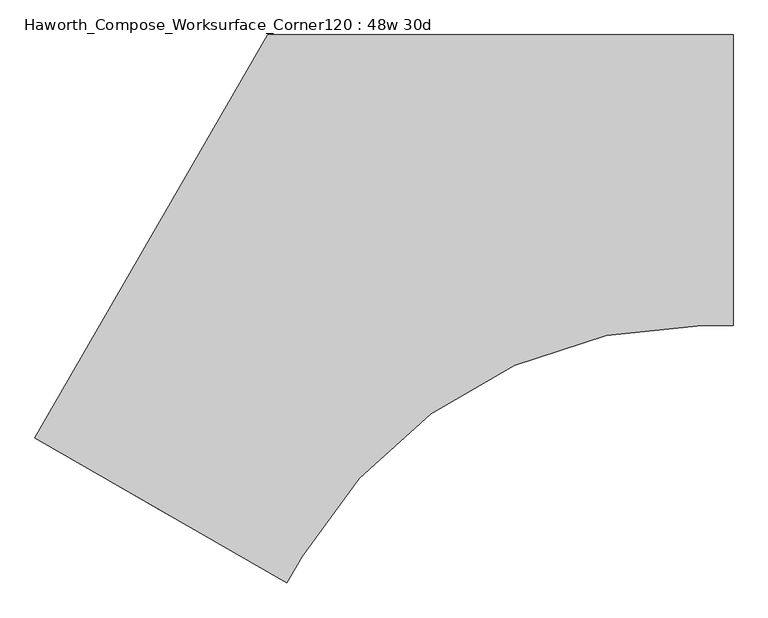
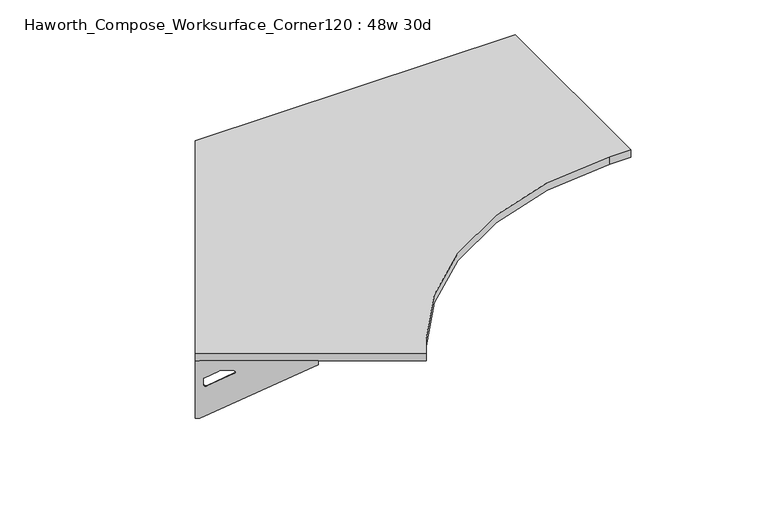
"""IFC4 building model written with IfcOpenShell, lengths in millimetres: furniture geometry, Haworth_Compose_Worksurface_Corner120 : 48w 30d."""

from ifc_helpers import new_model, si_unit, point, frame, frame_2d, origin, place, context, project, spatial, polyline, circle_curve, trimmed, segment, composite_curve, outline, extrude, source, transform, mapped, element, save
from ifc_brep_helpers import plane_surface, revolved_surface, advanced_brep


def haworth_compose_worksurface_corner120_48w_30d_0e6712c5(model_context):
    return source(origin(), model_context, "Body", "SolidModel", [
        advanced_brep(
        [(454.81875, 304.8, 473.86875), (454.81875, 288.925, 473.86875), (454.81875, -101.6, 690.1317568), (454.81875, -101.6, 702.46875), (454.81875, 288.925, 702.46875), (454.81875, 304.8, 702.46875), (454.81875, 221.490072, 664.36875), (454.81875, 177.8355284, 664.36875), (454.81875, 175.1564235, 654.7830539), (454.81875, 266.8776173, 603.9901439), (454.81875, 276.225, 609.5881969), (454.81875, 276.225, 633.0985246), (454.81875, 274.4730055, 635.9367776), (454.81875, 224.5663437, 663.5738425), (457.2, 304.8, 473.86875), (457.2, 304.8, 702.46875), (457.2, 288.925, 702.46875), (457.2, 288.925, 704.85), (457.2, -101.6, 704.85), (457.2, -101.6, 690.1317568), (457.2, 288.925, 473.86875), (457.2, 221.490072, 664.36875), (457.2, 224.5663437, 663.5738425), (457.2, 274.4730055, 635.9367776), (457.2, 276.225, 633.0985246), (457.2, 276.225, 609.5881969), (457.2, 266.8776173, 603.9901439), (457.2, 175.1564235, 654.7830539), (457.2, 177.8355284, 664.36875), (415.925, -101.6, 704.85), (415.925, -101.6, 702.46875), (415.925, 288.925, 702.46875), (415.925, 288.925, 704.85)],
        [
            (0, 1),
            (1, 2),
            (2, 3),
            (3, 4),
            (4, 5),
            (5, 0),
            (6, 7),
            (7, 8, circle_curve(frame((454.81875, 177.8355284, 659.2015106), z_axis=(1.0, 0.0, 0.0), x_axis=(0.0, -1.0, 0.0)), 5.1672394)),
            (8, 9),
            (9, 10, circle_curve(frame((454.81875, 269.875, 609.5881969), z_axis=(1.0, 0.0, 0.0), x_axis=(0.0, -1.0, 0.0)), 6.35)),
            (10, 11),
            (11, 12, circle_curve(frame((454.81875, 273.05, 633.0985246), z_axis=(1.0, 0.0, 0.0), x_axis=(0.0, -1.0, 0.0)), 3.175)),
            (12, 13),
            (13, 6, circle_curve(frame((454.81875, 221.490072, 658.01875), z_axis=(1.0, 0.0, 0.0), x_axis=(0.0, -1.0, 0.0)), 6.35)),
            (14, 15),
            (15, 16),
            (16, 17),
            (17, 18),
            (18, 19),
            (19, 20),
            (20, 14),
            (21, 22, circle_curve(frame((457.2, 221.490072, 658.01875), z_axis=(-1.0, 0.0, 0.0), x_axis=(0.0, -1.0, 0.0)), 6.35)),
            (22, 23),
            (23, 24, circle_curve(frame((457.2, 273.05, 633.0985246), z_axis=(-1.0, 0.0, 0.0), x_axis=(0.0, -1.0, 0.0)), 3.175)),
            (24, 25),
            (25, 26, circle_curve(frame((457.2, 269.875, 609.5881969), z_axis=(-1.0, 0.0, 0.0), x_axis=(0.0, -1.0, 0.0)), 6.35)),
            (26, 27),
            (27, 28, circle_curve(frame((457.2, 177.8355284, 659.2015106), z_axis=(-1.0, 0.0, 0.0), x_axis=(0.0, -1.0, 0.0)), 5.1672394)),
            (28, 21),
            (4, 16),
            (15, 5),
            (14, 0),
            (20, 1),
            (19, 2),
            (18, 29),
            (29, 30),
            (30, 3),
            (6, 21),
            (28, 7),
            (9, 26),
            (25, 10),
            (24, 11),
            (23, 12),
            (27, 8),
            (31, 4),
            (30, 31),
            (32, 29),
            (17, 32),
            (31, 32),
            (22, 13),
        ],
        [
            plane_surface(frame((454.81875, 304.8, 473.86875), z_axis=(-1.0, 0.0, 0.0), x_axis=(0.0, 1.0, 0.0))),
            plane_surface(frame((457.2, 304.8, 473.86875), z_axis=(1.0, 0.0, 0.0), x_axis=(0.0, -1.0, 0.0))),
            plane_surface(frame((457.2, -101.6, 702.46875), z_axis=(0.0, 0.0, 1.0), x_axis=(-1.0, 0.0, 0.0))),
            plane_surface(frame((457.2, 304.8, 702.46875), z_axis=(0.0, 1.0, 0.0), x_axis=(-1.0, 0.0, 0.0))),
            plane_surface(frame((457.2, 304.8, 473.86875), z_axis=(0.0, 0.0, -1.0), x_axis=(-1.0, 0.0, 0.0))),
            plane_surface(frame((457.2, 288.925, 473.86875), z_axis=(0.0, -0.4844522351345575, -0.8748177135112957), x_axis=(-1.0, 0.0, 0.0))),
            plane_surface(frame((457.2, -101.6, 690.1317568), z_axis=(0.0, -1.0, 0.0), x_axis=(-1.0, 0.0, 0.0))),
            plane_surface(frame((457.2, 221.490072, 664.36875), z_axis=(0.0, 0.0, -1.0), x_axis=(-1.0, 0.0, 0.0))),
            revolved_surface(polyline([(454.81875, 263.525, 609.5881969), (457.2, 263.525, 609.5881969)]), (457.2, 269.875, 609.5881969), (-1.0, 0.0, 0.0)),
            plane_surface(frame((457.2, 276.225, 609.5881969), z_axis=(0.0, -1.0, 0.0), x_axis=(-1.0, 0.0, 0.0))),
            revolved_surface(polyline([(454.81875, 269.875, 633.0985246), (457.2, 269.875, 633.0985246)]), (457.2, 273.05, 633.0985246), (-1.0, 0.0, 0.0)),
            revolved_surface(polyline([(454.81875, 172.668289, 659.2015106), (457.2, 172.668289, 659.2015106)]), (457.2, 177.8355284, 659.2015106), (-1.0, 0.0, 0.0)),
            plane_surface(frame((457.2, 288.925, 702.46875), z_axis=(0.0, 0.0, -1.0), x_axis=(-1.0, 0.0, 0.0))),
            plane_surface(frame((457.2, 288.925, 704.85), z_axis=(0.0, 0.0, 1.0), x_axis=(1.0, 0.0, 0.0))),
            plane_surface(frame((415.925, 288.925, 704.85), z_axis=(0.0, 1.0, 0.0), x_axis=(0.0, 0.0, -1.0))),
            plane_surface(frame((415.925, -101.6, 704.85), z_axis=(-1.0, 0.0, 0.0), x_axis=(0.0, 0.0, -1.0))),
            plane_surface(frame((457.2, 175.1564235, 654.7830539), z_axis=(0.0, 0.4844522351341526, 0.8748177135115199), x_axis=(-1.0, 0.0, 0.0))),
            plane_surface(frame((457.2, 274.4730055, 635.9367776), z_axis=(0.0, -0.48445223513456226, -0.874817713511293), x_axis=(-1.0, 0.0, 0.0))),
            revolved_surface(polyline([(454.81875, 215.140072, 658.01875), (457.2, 215.140072, 658.01875)]), (457.2, 221.490072, 658.01875), (-1.0, 0.0, 0.0)),
        ],
        [
            (0, [[1, 2, 3, 4, 5, 6], [7, 8, 9, 10, 11, 12, 13, 14]]),
            (1, [[15, 16, 17, 18, 19, 20, 21], [22, 23, 24, 25, 26, 27, 28, 29]]),
            (2, [[-5, 30, -16, 31]]),
            (3, [[-31, -15, 32, -6]]),
            (4, [[-32, -21, 33, -1]]),
            (5, [[-33, -20, 34, -2]]),
            (6, [[-34, -19, 35, 36, 37, -3]]),
            (7, [[38, -29, 39, -7]]),
            (8, [[40, -26, 41, -10]]),
            (9, [[-41, -25, 42, -11]]),
            (10, [[-42, -24, 43, -12]]),
            (11, [[-39, -28, 44, -8]]),
            (12, [[45, -4, -37, 46]]),
            (13, [[47, -35, -18, 48]]),
            (14, [[-17, -30, -45, 49, -48]]),
            (15, [[-36, -47, -49, -46]]),
            (16, [[-44, -27, -40, -9]]),
            (17, [[-43, -23, 50, -13]]),
            (18, [[-50, -22, -38, -14]]),
        ],
    ),
        advanced_brep(
        [(-1370.409375, -748.9959493, 473.86875), (-1370.409375, -748.9959493, 702.46875), (-1356.6612217, -756.9334493, 702.46875), (-1018.4566509, -952.1959493, 702.46875), (-1018.4566509, -952.1959493, 690.1317568), (-1356.6612217, -756.9334493, 473.86875), (-1298.260861, -790.6509133, 664.36875), (-1300.9249904, -789.1127775, 663.5738425), (-1344.1454274, -764.1594465, 635.9367776), (-1345.6626991, -763.2834493, 633.0985246), (-1345.6626991, -763.2834493, 609.5881969), (-1337.5676282, -767.9571406, 603.9901439), (-1258.1347443, -813.8177376, 654.7830539), (-1260.4549172, -812.4781851, 664.36875), (-1371.6, -751.0581723, 473.86875), (-1357.8518467, -758.9956723, 473.86875), (-1019.6472759, -954.2581723, 690.1317568), (-1019.6472759, -954.2581723, 704.85), (-1357.8518467, -758.9956723, 704.85), (-1357.8518467, -758.9956723, 702.46875), (-1371.6, -751.0581723, 702.46875), (-1299.451486, -792.7131363, 664.36875), (-1261.6455422, -814.5404081, 664.36875), (-1259.3253693, -815.8799606, 654.7830539), (-1338.7582532, -770.0193636, 603.9901439), (-1346.8533241, -765.3456723, 609.5881969), (-1346.8533241, -765.3456723, 633.0985246), (-1345.3360524, -766.2216695, 635.9367776), (-1302.1156154, -791.1750004, 663.5738425), (-999.0097759, -918.5129738, 702.46875), (-999.0097759, -918.5129738, 704.85), (-1337.2143467, -723.2504738, 702.46875), (-1337.2143467, -723.2504738, 704.85)],
        [
            (0, 1),
            (1, 2),
            (2, 3),
            (3, 4),
            (4, 5),
            (5, 0),
            (6, 7, circle_curve(frame((-1298.260861, -790.6509133, 658.01875), z_axis=(-0.5000000000000026, -0.8660254037844374, 0.0), x_axis=(0.8660254037844372, -0.5000000000000024, 0.0)), 6.35)),
            (7, 8),
            (8, 9, circle_curve(frame((-1342.9130684, -764.8709493, 633.0985246), z_axis=(-0.5000000000000026, -0.8660254037844374, 0.0), x_axis=(0.8660254037844372, -0.5000000000000024, 0.0)), 3.175)),
            (9, 10),
            (10, 11, circle_curve(frame((-1340.1634378, -766.4584493, 609.5881969), z_axis=(-0.5000000000000026, -0.8660254037844374, 0.0), x_axis=(0.8660254037844372, -0.5000000000000024, 0.0)), 6.35)),
            (11, 12),
            (12, 13, circle_curve(frame((-1260.4549172, -812.4781851, 659.2015106), z_axis=(-0.5000000000000026, -0.8660254037844374, 0.0), x_axis=(0.8660254037844372, -0.5000000000000024, 0.0)), 5.1672394)),
            (13, 6),
            (14, 15),
            (15, 16),
            (16, 17),
            (17, 18),
            (18, 19),
            (19, 20),
            (20, 14),
            (21, 22),
            (22, 23, circle_curve(frame((-1261.6455422, -814.5404081, 659.2015106), z_axis=(0.5000000000000026, 0.8660254037844374, 0.0), x_axis=(0.8660254037844372, -0.5000000000000024, 0.0)), 5.1672394)),
            (23, 24),
            (24, 25, circle_curve(frame((-1341.3540628, -768.5206723, 609.5881969), z_axis=(0.5000000000000026, 0.8660254037844374, 0.0), x_axis=(0.8660254037844372, -0.5000000000000024, 0.0)), 6.35)),
            (25, 26),
            (26, 27, circle_curve(frame((-1344.1036934, -766.9331723, 633.0985246), z_axis=(0.5000000000000026, 0.8660254037844374, 0.0), x_axis=(0.8660254037844372, -0.5000000000000024, 0.0)), 3.175)),
            (27, 28),
            (28, 21, circle_curve(frame((-1299.451486, -792.7131363, 658.01875), z_axis=(0.5000000000000026, 0.8660254037844374, 0.0), x_axis=(0.8660254037844372, -0.5000000000000024, 0.0)), 6.35)),
            (1, 20),
            (19, 2),
            (0, 14),
            (5, 15),
            (4, 16),
            (3, 29),
            (29, 30),
            (30, 17),
            (13, 22),
            (21, 6),
            (10, 25),
            (24, 11),
            (9, 26),
            (8, 27),
            (12, 23),
            (31, 29),
            (2, 31),
            (32, 18),
            (30, 32),
            (32, 31),
            (7, 28),
        ],
        [
            plane_surface(frame((-1370.409375, -748.9959493, 473.86875), z_axis=(0.5000000000000026, 0.8660254037844373, 0.0), x_axis=(-0.8660254037844373, 0.5000000000000026, 0.0))),
            plane_surface(frame((-1371.6, -751.0581723, 473.86875), z_axis=(-0.5000000000000026, -0.8660254037844373, 0.0), x_axis=(0.8660254037844373, -0.5000000000000026, 0.0))),
            plane_surface(frame((-1019.6472759, -954.2581723, 702.46875), z_axis=(0.0, 0.0, 1.0), x_axis=(0.5000000000000011, 0.866025403784438, 0.0))),
            plane_surface(frame((-1371.6, -751.0581723, 702.46875), z_axis=(-0.866025403784438, 0.5000000000000011, 0.0), x_axis=(0.5000000000000011, 0.866025403784438, 0.0))),
            plane_surface(frame((-1371.6, -751.0581723, 473.86875), z_axis=(0.0, 0.0, -1.0), x_axis=(0.5000000000000011, 0.866025403784438, 0.0))),
            plane_surface(frame((-1357.8518467, -758.9956723, 473.86875), z_axis=(0.41954794254667943, -0.24222611756727808, -0.8748177135112957), x_axis=(0.5000000000000011, 0.866025403784438, 0.0))),
            plane_surface(frame((-1019.6472759, -954.2581723, 690.1317568), z_axis=(0.866025403784438, -0.5000000000000011, 0.0), x_axis=(0.5000000000000011, 0.866025403784438, 0.0))),
            plane_surface(frame((-1299.451486, -792.7131363, 664.36875), z_axis=(0.0, 0.0, -1.0), x_axis=(0.5000000000000011, 0.866025403784438, 0.0))),
            revolved_surface(polyline([(-1334.66417645195, -769.6334492483159, 609.5881969), (-1335.854801485969, -771.6956723000001, 609.5881969)]), (-1341.3540628, -768.5206723, 609.5881969), (0.5000000000000024, 0.8660254037844372, 0.0)),
            plane_surface(frame((-1346.8533241, -765.3456723, 609.5881969), z_axis=(0.866025403784438, -0.5000000000000011, 0.0), x_axis=(0.5000000000000011, 0.866025403784438, 0.0))),
            revolved_surface(polyline([(-1340.1634377398502, -766.4584493018095, 633.0985246), (-1341.3540627537307, -768.5206723186128, 633.0985246)]), (-1344.1036934, -766.9331723, 633.0985246), (0.5000000000000024, 0.8660254037844372, 0.0)),
            revolved_surface(polyline([(-1255.9799566090298, -815.0618048018096, 659.2015106), (-1257.1705816345157, -817.1240278387139, 659.2015106)]), (-1261.6455422, -814.5404081, 659.2015106), (0.5000000000000024, 0.8660254037844372, 0.0)),
            plane_surface(frame((-1357.8518467, -758.9956723, 702.46875), z_axis=(0.0, 0.0, -1.0), x_axis=(0.5000000000000011, 0.866025403784438, 0.0))),
            plane_surface(frame((-1357.8518467, -758.9956723, 704.85), z_axis=(0.0, 0.0, 1.0), x_axis=(-0.5000000000000011, -0.866025403784438, 0.0))),
            plane_surface(frame((-1337.2143467, -723.2504738, 704.85), z_axis=(-0.866025403784438, 0.5000000000000011, 0.0), x_axis=(0.0, 0.0, -1.0))),
            plane_surface(frame((-999.0097759, -918.5129738, 704.85), z_axis=(0.5000000000000011, 0.866025403784438, 0.0), x_axis=(0.0, 0.0, -1.0))),
            plane_surface(frame((-1259.3253693, -815.8799606, 654.7830539), z_axis=(-0.41954794254632877, 0.24222611756707563, 0.87481771351152), x_axis=(0.5000000000000011, 0.866025403784438, 0.0))),
            plane_surface(frame((-1345.3360524, -766.2216695, 635.9367776), z_axis=(0.4195479425466836, -0.24222611756728046, -0.874817713511293), x_axis=(0.5000000000000011, 0.866025403784438, 0.0))),
            revolved_surface(polyline([(-1292.7615996828345, -793.8259133018096, 658.01875), (-1293.9522246859688, -795.8881363, 658.01875)]), (-1299.451486, -792.7131363, 658.01875), (0.5000000000000024, 0.8660254037844372, 0.0)),
        ],
        [
            (0, [[1, 2, 3, 4, 5, 6], [7, 8, 9, 10, 11, 12, 13, 14]]),
            (1, [[15, 16, 17, 18, 19, 20, 21], [22, 23, 24, 25, 26, 27, 28, 29]]),
            (2, [[30, -20, 31, -2]]),
            (3, [[-1, 32, -21, -30]]),
            (4, [[-6, 33, -15, -32]]),
            (5, [[-5, 34, -16, -33]]),
            (6, [[-4, 35, 36, 37, -17, -34]]),
            (7, [[-14, 38, -22, 39]]),
            (8, [[-11, 40, -25, 41]]),
            (9, [[-10, 42, -26, -40]]),
            (10, [[-9, 43, -27, -42]]),
            (11, [[-13, 44, -23, -38]]),
            (12, [[45, -35, -3, 46]]),
            (13, [[47, -18, -37, 48]]),
            (14, [[-47, 49, -46, -31, -19]]),
            (15, [[-45, -49, -48, -36]]),
            (16, [[-12, -41, -24, -44]]),
            (17, [[-8, 50, -28, -43]]),
            (18, [[-7, -39, -29, -50]]),
        ],
    ),
        extrude(outline(composite_curve([segment(polyline([(-1371.6, -751.0581723), (-762.0, 304.8), (457.2, 304.8), (457.2, -457.2), (376.347092, -457.2)]), True, "CONTINUOUS"), segment(trimmed(circle_curve(frame_2d((376.347092, -1666.875)), 1209.675), [point((376.347092, -457.2))], [point((-671.2621883, -1062.0375))], True, "CARTESIAN"), True, "CONTINUOUS"), segment(polyline([(-671.2621883, -1062.0375), (-711.6886423, -1132.0581723), (-1371.6, -751.0581723)]), True, "CONTINUOUS")], self_intersect=False)), frame((0.0, 0.0, 706.4375), z_axis=(0.0, 0.0, 1.0), x_axis=(1.0, 0.0, 0.0)), (0.0, 0.0, 1.0), 30.1625),
    ])


if __name__ == "__main__":
    model = new_model("IFC4")
    model_context = context("Model", 3, world=origin())
    ifc_project = project(units=[si_unit("LENGTHUNIT", "METRE", prefix="MILLI")], contexts=[model_context])
    site = spatial("IfcSite", under=ifc_project)
    building = spatial("IfcBuilding", under=site)
    placement = place(None, origin())
    haworth_compose_worksurface_corner120_48w_30d_shape = haworth_compose_worksurface_corner120_48w_30d_0e6712c5(model_context)
    element("IfcFurniture", 1, ObjectType="Haworth_Compose_Worksurface_Corner120 : 48w 30d", at=placement, inside=building, context=model_context, shape_type="MappedRepresentation", body=[
        mapped(haworth_compose_worksurface_corner120_48w_30d_shape, transform((0.0, 0.0, 0.0), x_axis=(1.0, 0.0, 0.0), y_axis=(0.0, 1.0, 0.0), z_axis=(0.0, 0.0, 1.0))),
    ])
    save(model, "model.ifc")
